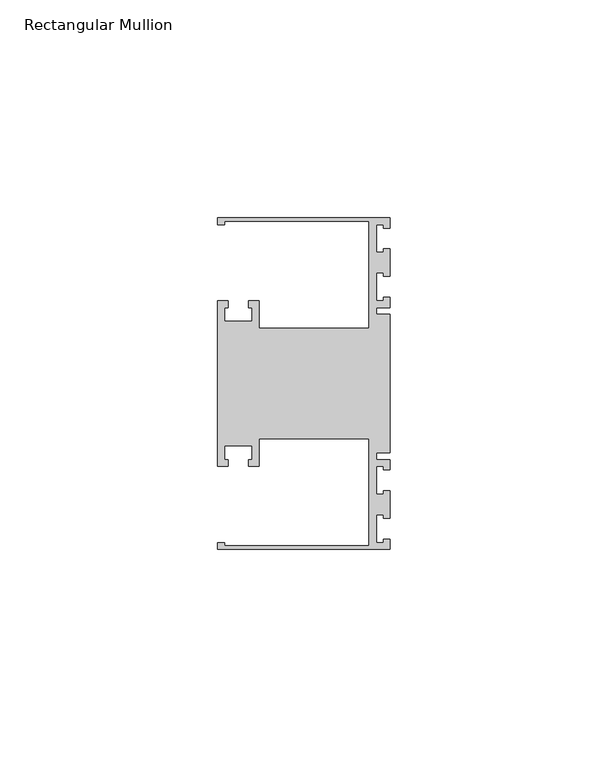
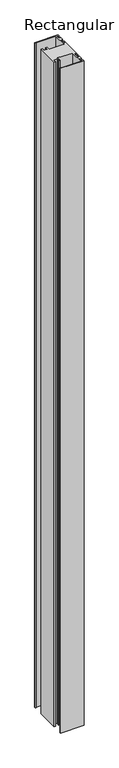
"""IFC4 building model written with IfcOpenShell, lengths in millimetres: member geometry, Rectangular Mullion."""

from ifc_helpers import new_model, si_unit, frame, origin, place, context, project, spatial, polyline, outline, extrude, source, transform, mapped, element, save


def rectangular_mullion_be1ec693(model_context):
    return source(origin(), model_context, "Body", "SweptSolid", [
        extrude(outline(polyline([(0.0, -38.1), (-39.6875, -38.1), (-39.6875, -36.5125), (-38.1, -36.5125), (-38.1, -37.30625), (-4.8585733, -37.30625), (-4.8585733, -12.6999969), (-30.1625, -12.6999969), (-30.1625, -19.05), (-32.54375, -19.05), (-32.54375, -17.4625), (-31.75, -17.4625), (-31.75, -14.2875), (-38.1, -14.2875), (-38.1, -17.4625), (-37.30625, -17.4625), (-37.30625, -19.05), (-39.6875, -19.05), (-39.6875, 19.05), (-37.30625, 19.05), (-37.30625, 17.4625), (-38.1, 17.4625), (-38.1, 14.2875), (-31.75, 14.2875), (-31.75, 17.4625), (-32.54375, 17.4625), (-32.54375, 19.05), (-30.1625, 19.05), (-30.1625, 12.6999969), (-4.8585733, 12.6999969), (-4.8585733, 37.30625), (-38.1, 37.30625), (-38.1, 36.5125), (-39.6875, 36.5125), (-39.6875, 38.1), (0.0, 38.1), (0.0, 35.71875), (-1.4999946, 35.71875), (-1.4999946, 36.5125), (-3.175, 36.5125), (-3.175, 30.1625), (-1.4999946, 30.1625), (-1.4999946, 30.95625), (0.0, 30.95625), (0.0, 24.60625), (-1.4999946, 24.60625), (-1.4999946, 25.4), (-3.175, 25.4), (-3.175, 19.05), (-1.4999946, 19.05), (-1.4999946, 19.84375), (0.0, 19.84375), (0.0, 17.4625), (-3.175, 17.4625), (-3.175, 15.875), (0.0, 15.875), (0.0, -15.875), (-3.175, -15.875), (-3.175, -17.4625), (0.0, -17.4625), (0.0, -19.84375), (-1.4999946, -19.84375), (-1.4999946, -19.05), (-3.175, -19.05), (-3.175, -25.4), (-1.4999946, -25.4), (-1.4999946, -24.60625), (0.0, -24.60625), (0.0, -30.95625), (-1.4999946, -30.95625), (-1.4999946, -30.1625), (-3.175, -30.1625), (-3.175, -36.5125), (-1.4999946, -36.5125), (-1.4999946, -35.71875), (0.0, -35.71875), (0.0, -38.1)])), frame((0.0, 0.0, -1190.625), z_axis=(0.0, 0.0, 1.0), x_axis=(1.0, 0.0, 0.0)), (0.0, 0.0, 1.0), 1190.625),
    ])


if __name__ == "__main__":
    model = new_model("IFC4")
    model_context = context("Model", 3, world=origin())
    ifc_project = project(units=[si_unit("LENGTHUNIT", "METRE", prefix="MILLI")], contexts=[model_context])
    site = spatial("IfcSite", under=ifc_project)
    building = spatial("IfcBuilding", under=site)
    placement = place(None, origin())
    rectangular_mullion_shape = rectangular_mullion_be1ec693(model_context)
    element("IfcMember", 1, ObjectType="Rectangular Mullion", at=placement, inside=building, context=model_context, shape_type="MappedRepresentation", body=[
        mapped(rectangular_mullion_shape, transform((0.0, 0.0, 0.0), x_axis=(1.0, 0.0, 0.0), y_axis=(0.0, 1.0, 0.0), z_axis=(0.0, 0.0, 1.0))),
    ])
    save(model, "model.ifc")
